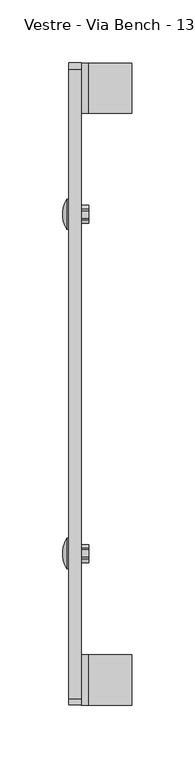
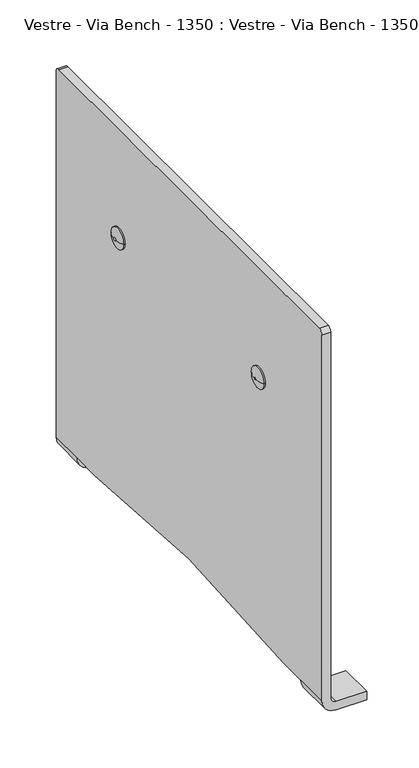
"""IFC4 building model written with IfcOpenShell, lengths in millimetres: furniture geometry, Vestre - Via Bench - 1350 : Vestre - Via Bench - 1350."""

from ifc_helpers import new_model, si_unit, point, frame, origin, place, context, project, spatial, polyline, circle_curve, ellipse_curve, trimmed, faceted_brep, source, transform, mapped, element, save
from ifc_brep_helpers import plane_surface, cylinder_surface, revolved_surface, advanced_brep


def vestre_via_bench_1350_vestre_via_bench_1350_605da6aa(model_context):
    return source(origin(), model_context, "Body", "SolidModel", [
        advanced_brep(
        [(-10.1352238, 132.9840097, 322.7003634), (-10.1352238, 136.4159903, 322.7003634), (-7.1796882, 146.6695892, 322.7003634), (-7.1796882, 122.7304108, 322.7003634), (-5.5104107, 122.7304108, 322.7003634), (-5.5104107, 146.6695892, 322.7003634)],
        [
            (0, 1, circle_curve(frame((-10.1352238, 134.7, 322.7003634), z_axis=(-1.0, 0.0, 0.0), x_axis=(0.0, 1.0, 0.0)), 1.7159903)),
            (1, 0, circle_curve(frame((-10.1352238, 134.7, 322.7003634), z_axis=(-1.0, 0.0, 0.0), x_axis=(0.0, -1.0, 0.0)), 1.7159903)),
            (2, 1, circle_curve(frame((9.1288782, 136.4159903, 322.7003634), z_axis=(0.0, 0.0, 1.0), x_axis=(1.0, 0.0, 0.0)), 19.2641021)),
            (0, 3, circle_curve(frame((9.1288782, 132.9840097, 322.7003634), z_axis=(0.0, 0.0, 1.0), x_axis=(1.0, 0.0, 0.0)), 19.2641021)),
            (3, 2, circle_curve(frame((-7.1796882, 134.7, 322.7003634), z_axis=(-1.0, 0.0, 0.0), x_axis=(0.0, 1.0, 0.0)), 11.9695892)),
            (2, 3, circle_curve(frame((-7.1796882, 134.7, 322.7003634), z_axis=(-1.0, 0.0, 0.0), x_axis=(0.0, -1.0, 0.0)), 11.9695892)),
            (4, 5, circle_curve(frame((-5.5104107, 134.7, 322.7003634), z_axis=(1.0, 0.0, 0.0), x_axis=(0.0, -1.0, 0.0)), 11.9695892)),
            (5, 4, circle_curve(frame((-5.5104107, 134.7, 322.7003634), z_axis=(1.0, 0.0, 0.0), x_axis=(0.0, 1.0, 0.0)), 11.9695892)),
            (4, 3),
            (2, 5),
        ],
        [
            plane_surface(frame((-10.1352238, 136.4159903, 322.7003634), z_axis=(-1.0, 0.0, 0.0), x_axis=(0.0, 0.0, -1.0))),
            revolved_surface(trimmed(ellipse_curve(frame((9.1288782, 136.4159903, 322.7003634), z_axis=(0.0, 0.0, -1.0), x_axis=(1.0, 0.0, 0.0)), 19.2641021, 19.2641021), [point((-10.1352238, 136.4159903, 322.7003634))], [point((-7.1796882, 146.6695892, 322.7003634))], True, "CARTESIAN"), (1009.3295893, 134.7, 322.7003634), (1.0, 0.0, 0.0)),
            revolved_surface(trimmed(ellipse_curve(frame((9.1288782, 132.9840097, 322.7003634), z_axis=(0.0, 0.0, 1.0), x_axis=(1.0, 0.0, 0.0)), 19.2641021, 19.2641021), [point((-10.1352238, 132.9840097, 322.7003634))], [point((-7.1796882, 122.7304108, 322.7003634))], True, "CARTESIAN"), (1009.3295893, 134.7, 322.7003634), (1.0, 0.0, 0.0)),
            plane_surface(frame((-5.5104107, 122.7304108, 322.7003634), z_axis=(1.0, 0.0, 0.0), x_axis=(0.0, 0.0, -1.0))),
            cylinder_surface(frame((-7.1796882, 134.7, 322.7003634), z_axis=(1.0, 0.0, 0.0), x_axis=(0.0, -1.0, 0.0)), 11.9695892),
            cylinder_surface(frame((-7.1796882, 134.7, 322.7003634), z_axis=(1.0, 0.0, 0.0), x_axis=(0.0, 1.0, 0.0)), 11.9695892),
        ],
        [
            (0, [[1, 2]]),
            (1, [[3, -1, 4, 5]]),
            (2, [[-3, 6, -4, -2]]),
            (3, [[7, 8]]),
            (4, [[-7, 9, -6, 10]]),
            (5, [[-8, -10, -5, -9]]),
        ],
    ),
        faceted_brep([(10.2774779, 138.7924397, 328.6120499), (10.2774779, 137.7734508, 329.2003634), (10.2774779, 131.6265492, 329.2003634), (10.2774779, 130.6075603, 328.6120499), (10.2774779, 127.5341095, 323.2886769), (10.2774779, 127.5341095, 322.1120499), (10.2774779, 130.6075603, 316.7886769), (10.2774779, 131.6265492, 316.2003634), (10.2774779, 137.7734508, 316.2003634), (10.2774779, 138.7924397, 316.7886769), (10.2774779, 141.8658905, 322.1120499), (10.2774779, 141.8658905, 323.2886769), (4.3296, 138.7924397, 328.6120499), (4.3296, 141.8658905, 323.2886769), (4.3296, 141.8658905, 322.1120499), (4.3296, 138.7924397, 316.7886769), (4.3296, 137.7734508, 316.2003634), (4.3296, 131.6265492, 316.2003634), (4.3296, 130.6075603, 316.7886769), (4.3296, 127.5341095, 322.1120499), (4.3296, 127.5341095, 323.2886769), (4.3296, 130.6075603, 328.6120499), (4.3296, 131.6265492, 329.2003634), (4.3296, 137.7734508, 329.2003634)], [[[0, 1, 2, 3, 4, 5, 6, 7, 8, 9, 10, 11]], [[12, 13, 14, 15, 16, 17, 18, 19, 20, 21, 22, 23]], [[1, 0, 12, 23]], [[2, 1, 23, 22]], [[3, 2, 22, 21]], [[4, 3, 21, 20]], [[5, 4, 20, 19]], [[6, 5, 19, 18]], [[7, 6, 18, 17]], [[8, 7, 17, 16]], [[9, 8, 16, 15]], [[10, 9, 15, 14]], [[11, 10, 14, 13]], [[0, 11, 13, 12]]]),
        advanced_brep(
        [(-10.1352238, -136.4159903, 322.7003634), (-7.1796882, -146.6695892, 322.7003634), (-7.1796882, -122.7304108, 322.7003634), (-10.1352238, -132.9840097, 322.7003634), (-5.5104107, -122.7304108, 322.7003634), (-5.5104107, -146.6695892, 322.7003634)],
        [
            (0, 1, circle_curve(frame((9.1288782, -136.4159903, 322.7003634), z_axis=(0.0, 0.0, 1.0), x_axis=(1.0, 0.0, 0.0)), 19.2641021)),
            (1, 2, circle_curve(frame((-7.1796882, -134.7, 322.7003634), z_axis=(-1.0, 0.0, 0.0), x_axis=(0.0, -1.0, 0.0)), 11.9695892)),
            (2, 3, circle_curve(frame((9.1288782, -132.9840097, 322.7003634), z_axis=(0.0, 0.0, 1.0), x_axis=(1.0, 0.0, 0.0)), 19.2641021)),
            (3, 0, circle_curve(frame((-10.1352238, -134.7, 322.7003634), z_axis=(1.0, 0.0, 0.0), x_axis=(0.0, -1.0, 0.0)), 1.7159903)),
            (0, 3, circle_curve(frame((-10.1352238, -134.7, 322.7003634), z_axis=(1.0, 0.0, 0.0), x_axis=(0.0, 1.0, 0.0)), 1.7159903)),
            (2, 1, circle_curve(frame((-7.1796882, -134.7, 322.7003634), z_axis=(-1.0, 0.0, 0.0), x_axis=(0.0, 1.0, 0.0)), 11.9695892)),
            (4, 5, circle_curve(frame((-5.5104107, -134.7, 322.7003634), z_axis=(1.0, 0.0, 0.0), x_axis=(0.0, -1.0, 0.0)), 11.9695892)),
            (5, 4, circle_curve(frame((-5.5104107, -134.7, 322.7003634), z_axis=(1.0, 0.0, 0.0), x_axis=(0.0, 1.0, 0.0)), 11.9695892)),
            (5, 1),
            (2, 4),
        ],
        [
            revolved_surface(trimmed(ellipse_curve(frame((9.1288782, -136.4159903, 322.7003634), z_axis=(0.0, 0.0, -1.0), x_axis=(1.0, 0.0, 0.0)), 19.2641021, 19.2641021), [point((-7.1796882, -146.6695892, 322.7003634))], [point((-10.1352238, -136.4159903, 322.7003634))], True, "CARTESIAN"), (1009.3295893, -134.7, 322.7003634), (-1.0, 0.0, 0.0)),
            revolved_surface(trimmed(ellipse_curve(frame((9.1288782, -132.9840097, 322.7003634), z_axis=(0.0, 0.0, 1.0), x_axis=(1.0, 0.0, 0.0)), 19.2641021, 19.2641021), [point((-7.1796882, -122.7304108, 322.7003634))], [point((-10.1352238, -132.9840097, 322.7003634))], True, "CARTESIAN"), (1009.3295893, -134.7, 322.7003634), (-1.0, 0.0, 0.0)),
            plane_surface(frame((-10.1352238, -132.9840097, 322.7003634), z_axis=(-1.0, 0.0, 0.0), x_axis=(0.0, 0.0, -1.0))),
            plane_surface(frame((-5.5104107, -146.6695892, 322.7003634), z_axis=(1.0, 0.0, 0.0), x_axis=(0.0, 0.0, -1.0))),
            cylinder_surface(frame((-7.1796882, -134.7, 322.7003634), z_axis=(1.0, 0.0, 0.0), x_axis=(0.0, 1.0, 0.0)), 11.9695892),
            cylinder_surface(frame((-7.1796882, -134.7, 322.7003634), z_axis=(1.0, 0.0, 0.0), x_axis=(0.0, -1.0, 0.0)), 11.9695892),
        ],
        [
            (0, [[1, 2, 3, 4]]),
            (1, [[-1, 5, -3, 6]]),
            (2, [[-4, -5]]),
            (3, [[7, 8]]),
            (4, [[-8, 9, -6, 10]]),
            (5, [[-7, -10, -2, -9]]),
        ],
    ),
        faceted_brep([(10.2774779, -138.7924397, 328.6120499), (10.2774779, -141.8658905, 323.2886769), (10.2774779, -141.8658905, 322.1120499), (10.2774779, -138.7924397, 316.7886769), (10.2774779, -137.7734508, 316.2003634), (10.2774779, -131.6265492, 316.2003634), (10.2774779, -130.6075603, 316.7886769), (10.2774779, -127.5341095, 322.1120499), (10.2774779, -127.5341095, 323.2886769), (10.2774779, -130.6075603, 328.6120499), (10.2774779, -131.6265492, 329.2003634), (10.2774779, -137.7734508, 329.2003634), (4.3296, -138.7924397, 328.6120499), (4.3296, -137.7734508, 329.2003634), (4.3296, -131.6265492, 329.2003634), (4.3296, -130.6075603, 328.6120499), (4.3296, -127.5341095, 323.2886769), (4.3296, -127.5341095, 322.1120499), (4.3296, -130.6075603, 316.7886769), (4.3296, -131.6265492, 316.2003634), (4.3296, -137.7734508, 316.2003634), (4.3296, -138.7924397, 316.7886769), (4.3296, -141.8658905, 322.1120499), (4.3296, -141.8658905, 323.2886769)], [[[0, 1, 2, 3, 4, 5, 6, 7, 8, 9, 10, 11]], [[12, 13, 14, 15, 16, 17, 18, 19, 20, 21, 22, 23]], [[0, 11, 13, 12]], [[11, 10, 14, 13]], [[10, 9, 15, 14]], [[9, 8, 16, 15]], [[8, 7, 17, 16]], [[7, 6, 18, 17]], [[6, 5, 19, 18]], [[5, 4, 20, 19]], [[4, 3, 21, 20]], [[3, 2, 22, 21]], [[2, 1, 23, 22]], [[1, 0, 12, 23]]]),
        advanced_brep(
        [(-5.5104107, -255.0, 15.8400028), (10.3295922, -255.0, 0.0), (44.4258312, -255.0, 0.0), (44.4258312, -255.0, 9.8400028), (10.3296, -255.0, 9.8400028), (4.3296, -255.0, 15.8400028), (4.3296, -255.0, 445.0003634), (-5.5104107, -255.0, 445.0003634), (4.3296, -215.0, 15.8400028), (10.3296, -215.0, 9.8400028), (44.4258312, -215.0, 9.8400028), (44.4258312, -215.0, 0.0), (10.3295922, -215.0, 0.0), (-5.5104107, -215.0, 15.8400028), (4.3296, 255.0, 15.8400028), (4.3296, 255.0, 445.0003634), (4.3296, 250.0, 450.0003634), (4.3296, -250.0, 450.0003634), (4.3296, -181.9216231, 15.8400028), (4.3296, 181.9216231, 15.8400028), (4.3296, 215.0, 15.8400028), (-5.5104107, 181.9216231, 15.8400028), (-5.5104107, -181.9216231, 15.8400028), (-5.5104107, -250.0, 450.0003634), (-5.5104107, 250.0, 450.0003634), (-5.5104107, 255.0, 445.0003634), (-5.5104107, 255.0, 15.8400028), (-5.5104107, 215.0, 15.8400028), (10.3296, 255.0, 9.8400028), (44.4258312, 255.0, 9.8400028), (44.4258312, 255.0, 0.0), (10.3295922, 255.0, 0.0), (10.3295922, 215.0, 0.0), (44.4258312, 215.0, 0.0), (44.4258312, 215.0, 9.8400028), (10.3296, 215.0, 9.8400028)],
        [
            (0, 1, circle_curve(frame((10.3295922, -255.0, 15.8400028), z_axis=(0.0, -1.0, 0.0), x_axis=(1.0, 0.0, 0.0)), 15.8400028)),
            (1, 2),
            (2, 3),
            (3, 4),
            (4, 5, circle_curve(frame((10.3296, -255.0, 15.8400028), z_axis=(0.0, 1.0, 0.0), x_axis=(1.0, 0.0, 0.0)), 6.0)),
            (5, 6),
            (6, 7),
            (7, 0),
            (8, 9, circle_curve(frame((10.3296, -215.0, 15.8400028), z_axis=(0.0, -1.0, 0.0), x_axis=(1.0, 0.0, 0.0)), 6.0)),
            (9, 10),
            (10, 11),
            (11, 12),
            (12, 13, circle_curve(frame((10.3295922, -215.0, 15.8400028), z_axis=(0.0, 1.0, 0.0), x_axis=(1.0, 0.0, 0.0)), 15.8400028)),
            (13, 8),
            (0, 13),
            (12, 1),
            (11, 2),
            (10, 3),
            (9, 4),
            (8, 5),
            (14, 15),
            (15, 16, circle_curve(frame((4.3296, 250.0, 445.0003634), z_axis=(1.0, 0.0, 0.0), x_axis=(0.0, 1.0, 0.0)), 5.0)),
            (16, 17),
            (17, 6, circle_curve(frame((4.3296, -250.0, 445.0003634), z_axis=(1.0, 0.0, 0.0), x_axis=(0.0, 0.0, 1.0)), 5.0)),
            (8, 18),
            (18, 19, circle_curve(frame((4.3296, 0.0, -1343.0365637), z_axis=(-1.0, 0.0, 0.0), x_axis=(0.0, 0.13269264997594374, 0.991157233057582)), 1371.0)),
            (19, 20),
            (20, 14),
            (21, 22, circle_curve(frame((-5.5104107, 0.0, -1343.0365637), z_axis=(1.0, 0.0, 0.0), x_axis=(0.0, 0.13269264997594374, 0.991157233057582)), 1371.0)),
            (22, 13),
            (7, 23, circle_curve(frame((-5.5104107, -250.0, 445.0003634), z_axis=(-1.0, 0.0, 0.0), x_axis=(0.0, 0.0, 1.0)), 5.0)),
            (23, 24),
            (24, 25, circle_curve(frame((-5.5104107, 250.0, 445.0003634), z_axis=(-1.0, 0.0, 0.0), x_axis=(0.0, 1.0, 0.0)), 5.0)),
            (25, 26),
            (26, 27),
            (27, 21),
            (14, 28, circle_curve(frame((10.3296, 255.0, 15.8400028), z_axis=(0.0, -1.0, 0.0), x_axis=(1.0, 0.0, 0.0)), 6.0)),
            (28, 29),
            (29, 30),
            (30, 31),
            (31, 26, circle_curve(frame((10.3295922, 255.0, 15.8400028), z_axis=(0.0, 1.0, 0.0), x_axis=(1.0, 0.0, 0.0)), 15.8400028)),
            (25, 15),
            (24, 16),
            (23, 17),
            (22, 18),
            (21, 19),
            (27, 20),
            (27, 32, circle_curve(frame((10.3295922, 215.0, 15.8400028), z_axis=(0.0, -1.0, 0.0), x_axis=(1.0, 0.0, 0.0)), 15.8400028)),
            (32, 33),
            (33, 34),
            (34, 35),
            (35, 20, circle_curve(frame((10.3296, 215.0, 15.8400028), z_axis=(0.0, 1.0, 0.0), x_axis=(1.0, 0.0, 0.0)), 6.0)),
            (31, 32),
            (30, 33),
            (29, 34),
            (28, 35),
        ],
        [
            plane_surface(frame((-5.5104107, -255.0, 15.8400028), z_axis=(0.0, -1.0, 0.0), x_axis=(-1.0, 0.0, 0.0))),
            plane_surface(frame((-5.5104107, -215.0, 15.8400028), z_axis=(0.0, 1.0, 0.0), x_axis=(1.0, 0.0, 0.0))),
            cylinder_surface(frame((10.3295922, -215.0, 15.8400028), z_axis=(0.0, -1.0, 0.0), x_axis=(1.0, 0.0, 0.0)), 15.8400028),
            plane_surface(frame((10.3295922, -255.0, 0.0), z_axis=(0.0, 0.0, -1.0), x_axis=(0.0, 1.0, 0.0))),
            plane_surface(frame((44.4258312, -255.0, 0.0), z_axis=(1.0, 0.0, 0.0), x_axis=(0.0, 1.0, 0.0))),
            plane_surface(frame((44.4258312, -255.0, 9.8400028), z_axis=(0.0, 0.0, 1.0), x_axis=(0.0, 1.0, 0.0))),
            revolved_surface(polyline([(16.3296, -215.0, 15.8400028), (16.3296, -255.0, 15.8400028)]), (10.3296, -215.0, 15.8400028), (0.0, 1.0, 0.0)),
            plane_surface(frame((4.3296, 255.0, 15.8400028), z_axis=(1.0, 0.0, 0.0), x_axis=(0.0, 0.0, 1.0))),
            plane_surface(frame((-5.5104107, 255.0, 15.8400028), z_axis=(-1.0, 0.0, 0.0), x_axis=(0.0, 0.0, -1.0))),
            plane_surface(frame((4.3296, 255.0, 15.8400028), z_axis=(0.0, 1.0, 0.0), x_axis=(-1.0, 0.0, 0.0))),
            cylinder_surface(frame((-5.5104107, 250.0, 445.0003634), z_axis=(1.0, 0.0, 0.0), x_axis=(0.0, 1.0, 0.0)), 5.0),
            plane_surface(frame((4.3296, 250.0, 450.0003634), z_axis=(0.0, 0.0, 1.0), x_axis=(-1.0, 0.0, 0.0))),
            cylinder_surface(frame((-5.5104107, -250.0, 445.0003634), z_axis=(1.0, 0.0, 0.0), x_axis=(0.0, 0.0, 1.0)), 5.0),
            plane_surface(frame((4.3296, -255.0, 15.8400028), z_axis=(0.0, 0.0, -1.0), x_axis=(-1.0, 0.0, 0.0))),
            revolved_surface(polyline([(-5.5104107, 181.92162311701887, 15.840002821944836), (4.329600000000004, 181.92162311701887, 15.840002821944836)]), (-5.5104107, 0.0, -1343.0365637), (-1.0000000000000002, 0.0, 0.0)),
            plane_surface(frame((4.3296, 181.9216231, 15.8400028), z_axis=(0.0, 0.0, -1.0), x_axis=(-1.0, 0.0, 0.0))),
            plane_surface(frame((16.3296, 215.0, 15.8400028), z_axis=(0.0, -1.0, 0.0), x_axis=(0.0, 0.0, -1.0))),
            cylinder_surface(frame((10.3295922, 215.0, 15.8400028), z_axis=(0.0, 1.0, 0.0), x_axis=(1.0, 0.0, 0.0)), 15.8400028),
            plane_surface(frame((44.4258312, 255.0, 0.0), z_axis=(0.0, 0.0, -1.0), x_axis=(0.0, -1.0, 0.0))),
            plane_surface(frame((44.4258312, 255.0, 9.8400028), z_axis=(1.0, 0.0, 0.0), x_axis=(0.0, -1.0, 0.0))),
            plane_surface(frame((10.3296, 255.0, 9.8400028), z_axis=(0.0, 0.0, 1.0), x_axis=(0.0, -1.0, 0.0))),
            revolved_surface(polyline([(16.3296, 215.0, 15.8400028), (16.3296, 255.0, 15.8400028)]), (10.3296, 215.0, 15.8400028), (0.0, -1.0, 0.0)),
        ],
        [
            (0, [[1, 2, 3, 4, 5, 6, 7, 8]]),
            (1, [[9, 10, 11, 12, 13, 14]]),
            (2, [[-1, 15, -13, 16]]),
            (3, [[-2, -16, -12, 17]]),
            (4, [[-3, -17, -11, 18]]),
            (5, [[-4, -18, -10, 19]]),
            (6, [[-5, -19, -9, 20]]),
            (7, [[21, 22, 23, 24, -6, -20, 25, 26, 27, 28]]),
            (8, [[29, 30, -15, -8, 31, 32, 33, 34, 35, 36]]),
            (9, [[-21, 37, 38, 39, 40, 41, -34, 42]]),
            (10, [[-22, -42, -33, 43]]),
            (11, [[-23, -43, -32, 44]]),
            (12, [[-24, -44, -31, -7]]),
            (13, [[45, -25, -14, -30]]),
            (14, [[-26, -45, -29, 46]]),
            (15, [[-46, -36, 47, -27]]),
            (16, [[48, 49, 50, 51, 52, -47]]),
            (17, [[-41, 53, -48, -35]]),
            (18, [[-40, 54, -49, -53]]),
            (19, [[-39, 55, -50, -54]]),
            (20, [[-38, 56, -51, -55]]),
            (21, [[-37, -28, -52, -56]]),
        ],
    ),
    ])


if __name__ == "__main__":
    model = new_model("IFC4")
    model_context = context("Model", 3, world=origin())
    ifc_project = project(units=[si_unit("LENGTHUNIT", "METRE", prefix="MILLI")], contexts=[model_context])
    site = spatial("IfcSite", under=ifc_project)
    building = spatial("IfcBuilding", under=site)
    placement = place(None, origin())
    vestre_via_bench_1350_vestre_via_bench_1350_shape = vestre_via_bench_1350_vestre_via_bench_1350_605da6aa(model_context)
    element("IfcFurniture", 1, ObjectType="Vestre - Via Bench - 1350 : Vestre - Via Bench - 1350", at=placement, inside=building, context=model_context, shape_type="MappedRepresentation", body=[
        mapped(vestre_via_bench_1350_vestre_via_bench_1350_shape, transform((0.0, 0.0, 0.0), x_axis=(1.0, 0.0, 0.0), y_axis=(0.0, 1.0, 0.0), z_axis=(0.0, 0.0, 1.0))),
    ])
    save(model, "model.ifc")
